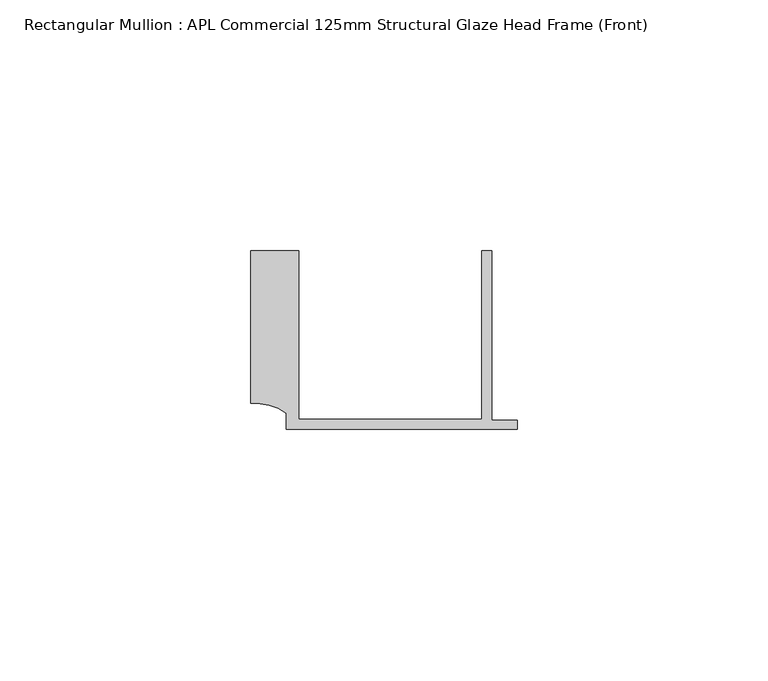
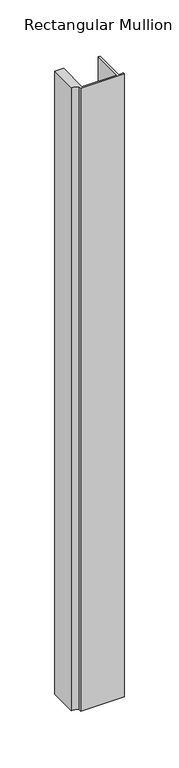
"""IFC4 building model written with IfcOpenShell, lengths in millimetres: member geometry, Rectangular Mullion : APL Commercial 125mm Structural Glaze Head Frame (Front)."""

from ifc_helpers import new_model, si_unit, point, frame, frame_2d, origin, place, context, project, spatial, polyline, circle_curve, trimmed, segment, composite_curve, outline, extrude, source, transform, mapped, element, save


def rectangular_mullion_apl_commercial_125mm_structural_glaze_746f472f(model_context):
    return source(origin(), model_context, "Body", "SweptSolid", [
        extrude(outline(composite_curve([segment(polyline([(-52.9999542, 15.0), (-43.5000151, 15.0), (-43.5000151, -18.5002486), (-7.0, -18.5002486), (-7.0, 15.0), (-5.0, 15.0), (-5.0, -18.7002486), (0.0, -18.7002486), (0.0, -20.5002486), (-45.9999994, -20.5002486), (-45.9999994, -17.3126154)]), True, "CONTINUOUS"), segment(trimmed(circle_curve(frame_2d((-52.109817, -25.7982641)), 10.4563907), [point((-45.9999994, -17.3126154))], [point((-52.9999542, -15.3798304))], True, "CARTESIAN"), True, "CONTINUOUS"), segment(polyline([(-52.9999542, -15.3798304), (-52.9999542, 15.0)]), True, "CONTINUOUS")], self_intersect=False)), frame((0.0, 0.0, -695.1973517), z_axis=(0.0, 0.0, 1.0), x_axis=(1.0, 0.0, 0.0)), (0.0, 0.0, 1.0), 695.1973517),
    ])


if __name__ == "__main__":
    model = new_model("IFC4")
    model_context = context("Model", 3, world=origin())
    ifc_project = project(units=[si_unit("LENGTHUNIT", "METRE", prefix="MILLI")], contexts=[model_context])
    site = spatial("IfcSite", under=ifc_project)
    building = spatial("IfcBuilding", under=site)
    placement = place(None, origin())
    rectangular_mullion_apl_commercial_125mm_structural_glaze_shape = rectangular_mullion_apl_commercial_125mm_structural_glaze_746f472f(model_context)
    element("IfcMember", 1, ObjectType="Rectangular Mullion : APL Commercial 125mm Structural Glaze Head Frame (Front)", at=placement, inside=building, context=model_context, shape_type="MappedRepresentation", body=[
        mapped(rectangular_mullion_apl_commercial_125mm_structural_glaze_shape, transform((0.0, 0.0, 0.0), x_axis=(1.0, 0.0, 0.0), y_axis=(0.0, 1.0, 0.0), z_axis=(0.0, 0.0, 1.0))),
    ])
    save(model, "model.ifc")
